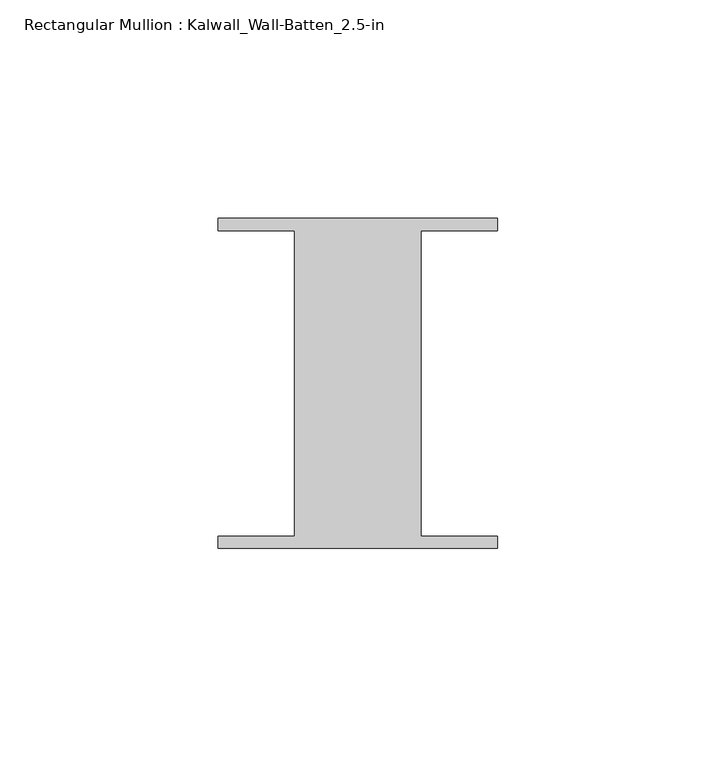
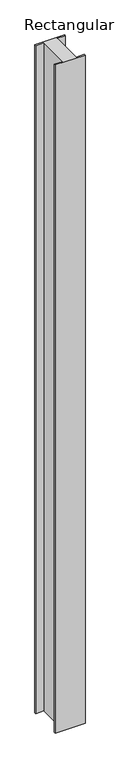
"""IFC4 building model written with IfcOpenShell, lengths in millimetres: member geometry, Rectangular Mullion : Kalwall_Wall-Batten_2.5-in."""

from ifc_helpers import new_model, si_unit, frame, origin, place, context, project, spatial, polyline, outline, extrude, source, transform, mapped, element, save


def rectangular_mullion_kalwall_wall_batten_2_5_in_6f1e3c1e(model_context):
    return source(origin(), model_context, "Body", "SweptSolid", [
        extrude(outline(polyline([(-32.0, 36.524), (32.0, 36.524), (32.0, 33.73), (14.5, 33.73), (14.5, -36.27), (32.0, -36.27), (32.0, -39.064), (-32.0, -39.064), (-32.0, -36.27), (-14.5, -36.27), (-14.5, 33.73), (-32.0, 33.73), (-32.0, 36.524)])), frame((0.0, 0.0, -1516.2310003), z_axis=(0.0, 0.0, 1.0), x_axis=(1.0, 0.0, 0.0)), (0.0, 0.0, 1.0), 1516.2310003),
    ])


if __name__ == "__main__":
    model = new_model("IFC4")
    model_context = context("Model", 3, world=origin())
    ifc_project = project(units=[si_unit("LENGTHUNIT", "METRE", prefix="MILLI")], contexts=[model_context])
    site = spatial("IfcSite", under=ifc_project)
    building = spatial("IfcBuilding", under=site)
    placement = place(None, origin())
    rectangular_mullion_kalwall_wall_batten_2_5_in_shape = rectangular_mullion_kalwall_wall_batten_2_5_in_6f1e3c1e(model_context)
    element("IfcMember", 1, ObjectType="Rectangular Mullion : Kalwall_Wall-Batten_2.5-in", at=placement, inside=building, context=model_context, shape_type="MappedRepresentation", body=[
        mapped(rectangular_mullion_kalwall_wall_batten_2_5_in_shape, transform((0.0, 0.0, 0.0), x_axis=(1.0, 0.0, 0.0), y_axis=(0.0, 1.0, 0.0), z_axis=(0.0, 0.0, 1.0))),
    ])
    save(model, "model.ifc")
